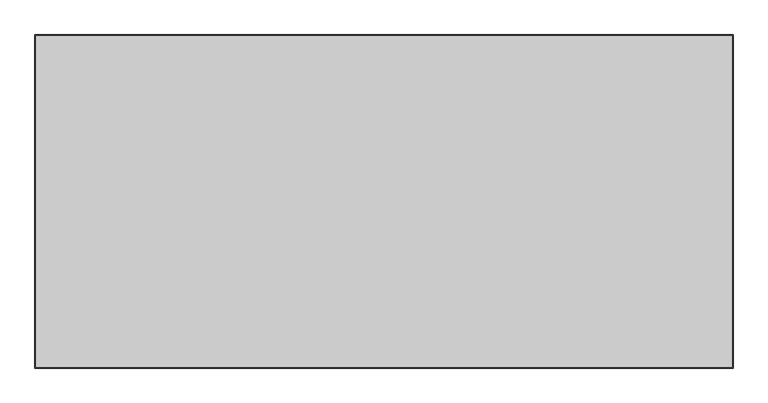
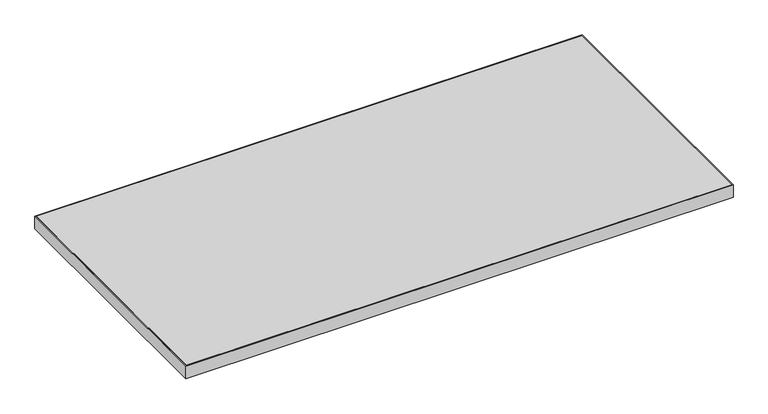
"""IFC4 building model written with IfcOpenShell, lengths in millimetres: furniture geometry."""

import ifcopenshell
import ifcopenshell.guid

model = None  # the IFC model being written
_history = None  # IfcOwnerHistory: only IFC2X3 demands one
_inside = {}  # id of a spatial element -> (the spatial element, [elements in it])
_under = {}  # id of a project, library or spatial element -> (it, [spatial elements below it])
_declared = {}  # id of a project -> (the project, [libraries it declares])
_typed = {}  # id of a type object -> (the type object, [elements of that type])
_made_of = {}  # id of a material, layer set ... -> (it, [elements and type objects made of it])


def new_model(schema):
    """Start an empty IFC model of exactly this schema.

    Asked for "IFC4X3", IfcOpenShell would pick the latest addendum, in which some entities
    have other attributes; the version numbers below select the first issue.
    IFC2X3 requires an IfcOwnerHistory on every rooted entity: one is made here for all.
    """
    global model, _history
    if schema == "IFC4X3":
        model = ifcopenshell.file(schema_version=(4, 3, 0, 0))
    else:
        model = ifcopenshell.file(schema=schema)
    _inside.clear()
    _under.clear()
    _declared.clear()
    _typed.clear()
    _made_of.clear()
    _history = None
    if model.schema == "IFC2X3":
        org = make("IfcOrganization", Name="unknown")
        user = make(
            "IfcPersonAndOrganization",
            ThePerson=make("IfcPerson", FamilyName="unknown"),
            TheOrganization=org,
        )
        app = make(
            "IfcApplication",
            ApplicationDeveloper=org,
            Version="unknown",
            ApplicationFullName="unknown",
            ApplicationIdentifier="unknown",
        )
        _history = make(
            "IfcOwnerHistory",
            OwningUser=user,
            OwningApplication=app,
            ChangeAction="ADDED",
            CreationDate=0,
        )
    return model


def make(cls, **values):
    """One entity of the class cls with the attributes given. An attribute that is None is left unset."""
    return model.create_entity(
        cls, **{name: value for name, value in values.items() if value is not None}
    )


def rooted(cls, **values):
    """An entity with a GlobalId (a new one), such as an element, a storey or a relation."""
    return make(cls, GlobalId=ifcopenshell.guid.new(), OwnerHistory=_history, **values)


def si_unit(unit_type, name, prefix=None):
    """IfcSIUnit, for example si_unit("LENGTHUNIT", "METRE", prefix="MILLI")."""
    return make("IfcSIUnit", UnitType=unit_type, Prefix=prefix, Name=name)


def assignment(units):
    """IfcUnitAssignment: the units of a project."""
    return None if units is None else make("IfcUnitAssignment", Units=units)


def point(xyz):
    """IfcCartesianPoint."""
    return None if xyz is None else make("IfcCartesianPoint", Coordinates=xyz)


def direction(xyz):
    """IfcDirection."""
    return None if xyz is None else make("IfcDirection", DirectionRatios=xyz)


def frame(location, z_axis=None, x_axis=None):
    """IfcAxis2Placement3D, a coordinate frame: its origin and axes. An axis left out is left unset."""
    return make(
        "IfcAxis2Placement3D",
        Location=point(location),
        Axis=direction(z_axis),
        RefDirection=direction(x_axis),
    )


def origin():
    """The frame at (0, 0, 0) with its axes left unset."""
    return frame((0.0, 0.0, 0.0))


def place(relative_to, where):
    """IfcLocalPlacement: puts the frame where relative to a parent placement (None: the world)."""
    return make(
        "IfcLocalPlacement", PlacementRelTo=relative_to, RelativePlacement=where
    )


def context(
    kind, dimensions, precision=None, world=None, true_north=None, identifier=None
):
    """IfcGeometricRepresentationContext, for example the 3D "Model" context."""
    return make(
        "IfcGeometricRepresentationContext",
        ContextIdentifier=identifier,
        ContextType=kind,
        CoordinateSpaceDimension=dimensions,
        Precision=precision,
        WorldCoordinateSystem=world,
        TrueNorth=true_north,
    )


def project(units=None, contexts=None):
    """IfcProject with its units and contexts."""
    return rooted(
        "IfcProject",
        Name="project",
        RepresentationContexts=contexts,
        UnitsInContext=assignment(units),
    )


def spatial(cls, under=None, at=None, **own):
    """A site, building, storey or space (cls), placed at a placement, below another one or the project."""
    s = rooted(cls, ObjectPlacement=at, **own)
    if under is not None:
        _under.setdefault(under.id(), (under, []))[1].append(s)
    return s


def polyline(points):
    """IfcPolyline through the points."""
    return make("IfcPolyline", Points=[point(p) for p in points])


def outline(outer, holes=None, kind="AREA"):
    """IfcArbitraryClosedProfileDef: a profile drawn as a closed curve; with holes, ...WithVoids."""
    if holes is None:
        return make("IfcArbitraryClosedProfileDef", ProfileType=kind, OuterCurve=outer)
    return make(
        "IfcArbitraryProfileDefWithVoids",
        ProfileType=kind,
        OuterCurve=outer,
        InnerCurves=holes,
    )


def extrude(swept, where, along, depth):
    """IfcExtrudedAreaSolid: the profile swept, set in the frame where, extruded along a direction by depth."""
    return make(
        "IfcExtrudedAreaSolid",
        SweptArea=swept,
        Position=where,
        ExtrudedDirection=direction(along),
        Depth=depth,
    )


def shape(context_of_items, identifier, shape_type, items):
    """IfcShapeRepresentation: the items that make up one representation, for example the "Body"."""
    return make(
        "IfcShapeRepresentation",
        ContextOfItems=context_of_items,
        RepresentationIdentifier=identifier,
        RepresentationType=shape_type,
        Items=items,
    )


def source(mapping_origin, context_of_items, identifier, shape_type, items):
    """IfcRepresentationMap: a shape defined once, which mapped items show again and again."""
    return make(
        "IfcRepresentationMap",
        MappingOrigin=mapping_origin,
        MappedRepresentation=shape(context_of_items, identifier, shape_type, items),
    )


def transform(
    local_origin,
    x_axis=None,
    y_axis=None,
    z_axis=None,
    scale=None,
    scale2=None,
    scale3=None,
    uniform=True,
):
    """IfcCartesianTransformationOperator3D, or its non-uniform kind. x_axis, y_axis, z_axis: its Axis1, 2, 3."""
    if uniform:
        return make(
            "IfcCartesianTransformationOperator3D",
            Axis1=direction(x_axis),
            Axis2=direction(y_axis),
            LocalOrigin=point(local_origin),
            Scale=scale,
            Axis3=direction(z_axis),
        )
    return make(
        "IfcCartesianTransformationOperator3DnonUniform",
        Axis1=direction(x_axis),
        Axis2=direction(y_axis),
        LocalOrigin=point(local_origin),
        Scale=scale,
        Axis3=direction(z_axis),
        Scale2=scale2,
        Scale3=scale3,
    )


def mapped(mapping_source, mapping_target):
    """IfcMappedItem: shows the shape of a source again, moved by a transform."""
    return make(
        "IfcMappedItem", MappingSource=mapping_source, MappingTarget=mapping_target
    )


def made_of(thing, what):
    """Note that an element or type object is made of a material, layer set ...; save() writes the relation."""
    if what is not None:
        _made_of.setdefault(what.id(), (what, []))[1].append(thing)
    return thing


def element(
    cls,
    number,
    at=None,
    inside=None,
    cuts=None,
    type_object=None,
    material=None,
    context=None,
    identifier="Body",
    shape_type=None,
    held_by="IfcProductDefinitionShape",
    body=None,
    shapes=None,
    **own,
):
    """One element of the class cls, such as IfcWall. Its Tag is "e" and its number.

    at: its placement. inside: the storey or other place that contains it. cuts: it is an
    opening in that element (IfcRelVoidsElement). A single representation is given by context,
    identifier, shape_type and body (its items); several are given by shapes. held_by: the class
    of the entity that holds the representations. save() writes the other relations.
    """
    e = rooted(cls, Tag="e%d" % number, ObjectPlacement=at, **own)
    if body is not None:
        shapes = [shape(context, identifier, shape_type, body)]
    if shapes is not None:
        e.Representation = make(held_by, Representations=shapes)
    if inside is not None:
        _inside.setdefault(inside.id(), (inside, []))[1].append(e)
    if cuts is not None:
        rooted(
            "IfcRelVoidsElement", RelatingBuildingElement=cuts, RelatedOpeningElement=e
        )
    if type_object is not None:
        _typed.setdefault(type_object.id(), (type_object, []))[1].append(e)
    return made_of(e, material)


def aggregate(whole, parts):
    """IfcRelAggregates: a whole, such as a stair, and the parts it consists of."""
    return rooted("IfcRelAggregates", RelatingObject=whole, RelatedObjects=parts)


def save(model, path):
    """Write the relations noted so far, then the file.

    IfcRelAggregates (storeys below a building ...), IfcRelContainedInSpatialStructure (elements
    in a storey), IfcRelDefinesByType, IfcRelAssociatesMaterial and IfcRelDeclares: one each for
    every whole, place, type object, material and project.
    """
    for whole, parts in _under.values():
        aggregate(whole, parts)
    for where, things in _inside.values():
        rooted(
            "IfcRelContainedInSpatialStructure",
            RelatedElements=things,
            RelatingStructure=where,
        )
    for kind, things in _typed.values():
        rooted("IfcRelDefinesByType", RelatedObjects=things, RelatingType=kind)
    for what, things in _made_of.values():
        rooted("IfcRelAssociatesMaterial", RelatedObjects=things, RelatingMaterial=what)
    for by, libraries in _declared.values():
        rooted("IfcRelDeclares", RelatingContext=by, RelatedDefinitions=libraries)
    model.write(path)


def furniture_d43f42ad(model_context):
    return source(origin(), model_context, "Body", "SweptSolid", [
        extrude(outline(polyline([(454.0758, 831.9008), (454.0758, 253.9492), (-758.8758, 253.9492), (-758.8758, 831.9008), (454.0758, 831.9008)])), frame((0.0, 0.0, 707.009), z_axis=(0.0, 0.0, 1.0), x_axis=(1.0, 0.0, 0.0)), (0.0, 0.0, 1.0), 29.591),
        extrude(outline(polyline([(455.6633, 252.3617), (-760.4633, 252.3617), (-760.4633, 833.4883), (455.6633, 833.4883), (455.6633, 252.3617)]), holes=[polyline([(454.0758, 831.9008), (-758.8758, 831.9008), (-758.8758, 253.9492), (454.0758, 253.9492), (454.0758, 831.9008)])]), frame((0.0, 0.0, 707.009), z_axis=(0.0, 0.0, 1.0), x_axis=(1.0, 0.0, 0.0)), (0.0, 0.0, 1.0), 29.591),
    ])


if __name__ == "__main__":
    model = new_model("IFC4")
    model_context = context("Model", 3, world=origin())
    ifc_project = project(units=[si_unit("LENGTHUNIT", "METRE", prefix="MILLI")], contexts=[model_context])
    site = spatial("IfcSite", under=ifc_project)
    building = spatial("IfcBuilding", under=site)
    placement = place(None, origin())
    furniture_shape = furniture_d43f42ad(model_context)
    element("IfcFurniture", 1, at=placement, inside=building, context=model_context, shape_type="MappedRepresentation", body=[
        mapped(furniture_shape, transform((0.0, 0.0, 0.0), x_axis=(1.0, 0.0, 0.0), y_axis=(0.0, 1.0, 0.0), z_axis=(0.0, 0.0, 1.0))),
    ])
    save(model, "model.ifc")
